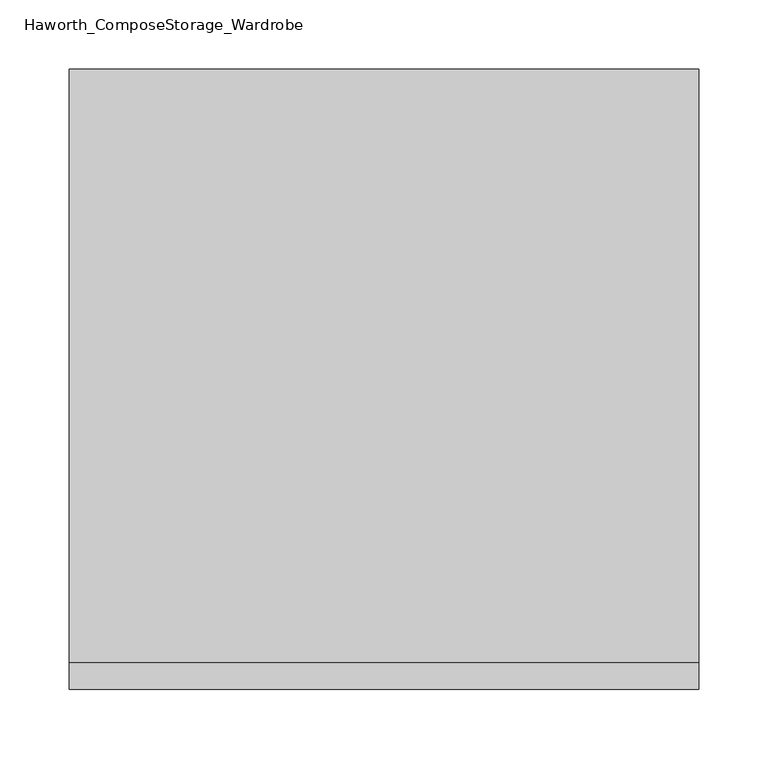
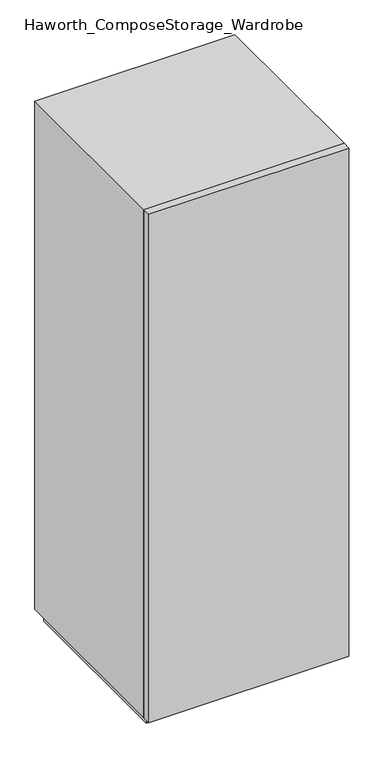
"""IFC4 building model written with IfcOpenShell, lengths in millimetres: furniture geometry, Haworth_ComposeStorage_Wardrobe."""

from ifc_helpers import new_model, si_unit, frame, origin, origin_with_axes, place, context, project, spatial, polyline, outline, extrude, faceted_brep, source, transform, mapped, element, save


def haworth_composestorage_wardrobe_32f3955d(model_context):
    return source(origin(), model_context, "Body", "SolidModel", [
        extrude(outline(polyline([(227.0263906, -233.3625), (-226.9986094, -233.3625), (-226.9986094, -214.3125), (227.0263906, -214.3125), (227.0263906, -233.3625)])), frame((0.0, 0.0, 25.4), z_axis=(0.0, 0.0, 1.0), x_axis=(1.0, 0.0, 0.0)), (0.0, 0.0, 1.0), 1219.2),
        faceted_brep([(-226.9986094, -214.3125, 25.4), (227.0263906, -214.3125, 25.4), (227.0263906, -214.3125, 1244.6), (-226.9986094, -214.3125, 1244.6), (-207.9486094, -214.3125, 44.45), (-207.9486094, -214.3125, 1225.55), (207.9486094, -214.3125, 1225.55), (207.9486094, -214.3125, 44.45), (-226.9986094, 214.3125, 25.4), (-226.9986094, 214.3125, 1244.6), (227.0263906, 214.3125, 1244.6), (227.0263906, 214.3125, 25.4), (-207.9486094, 195.2625, 44.45), (-207.9486094, 195.2625, 1225.55), (207.9486094, 195.2625, 1225.55), (207.9486094, 195.2625, 44.45)], [[[0, 1, 2, 3], [4, 5, 6, 7]], [[8, 9, 10, 11]], [[1, 0, 8, 11]], [[2, 1, 11, 10]], [[3, 2, 10, 9]], [[0, 3, 9, 8]], [[5, 4, 12, 13]], [[6, 5, 13, 14]], [[7, 6, 14, 15]], [[4, 7, 15, 12]], [[13, 12, 15, 14]]]),
        extrude(outline(polyline([(214.3263906, -201.6125), (-214.2986094, -201.6125), (-214.2986094, 201.6125), (214.3263906, 201.6125), (214.3263906, -201.6125)])), origin_with_axes(), (0.0, 0.0, 1.0), 25.4),
    ])


if __name__ == "__main__":
    model = new_model("IFC4")
    model_context = context("Model", 3, world=origin())
    ifc_project = project(units=[si_unit("LENGTHUNIT", "METRE", prefix="MILLI")], contexts=[model_context])
    site = spatial("IfcSite", under=ifc_project)
    building = spatial("IfcBuilding", under=site)
    placement = place(None, origin())
    haworth_composestorage_wardrobe_shape = haworth_composestorage_wardrobe_32f3955d(model_context)
    element("IfcFurniture", 1, ObjectType="Haworth_ComposeStorage_Wardrobe", at=placement, inside=building, context=model_context, shape_type="MappedRepresentation", body=[
        mapped(haworth_composestorage_wardrobe_shape, transform((0.0, 0.0, 0.0), x_axis=(1.0, 0.0, 0.0), y_axis=(0.0, 1.0, 0.0), z_axis=(0.0, 0.0, 1.0))),
    ])
    save(model, "model.ifc")
